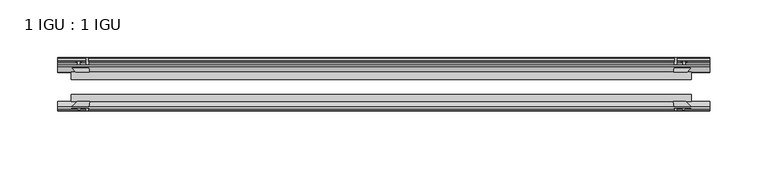
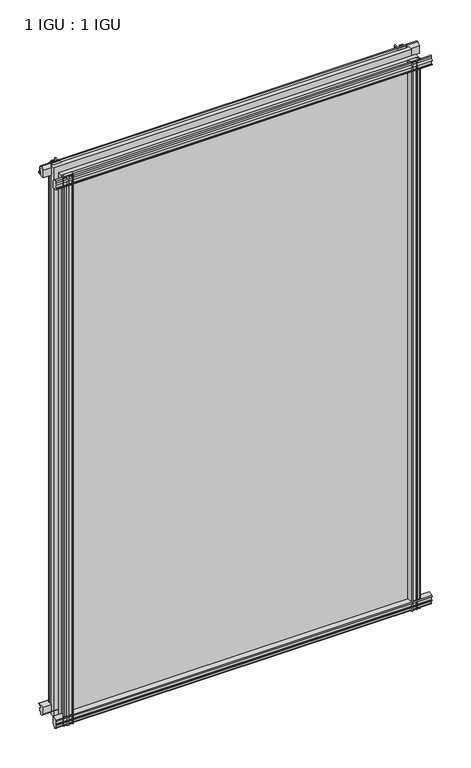
"""IFC4 building model written with IfcOpenShell, lengths in millimetres: plate geometry, 1 IGU : 1 IGU."""

from ifc_helpers import new_model, si_unit, point, frame, frame_2d, origin, place, context, project, spatial, polyline, circle_curve, trimmed, segment, composite_curve, outline, extrude, source, transform, mapped, element, save


def plate_1_igu_1_igu_5145be7c(model_context):
    return source(origin(), model_context, "Body", "SweptSolid", [
        extrude(outline(composite_curve([segment(polyline([(-57.0900403, 1.731044), (-50.00625, 3.0983599), (-50.00625, -7.92383), (-54.1882244, -12.1058044)]), True, "CONTINUOUS"), segment(trimmed(circle_curve(frame_2d((-55.08625, -11.2077788)), 1.27), [point((-54.1882244, -12.1058044))], [point((-56.35625, -11.2077788))], False, "CARTESIAN"), True, "CONTINUOUS"), segment(polyline([(-56.35625, -11.2077788), (-56.35625, -8.0327788), (-57.835546, -5.4488186), (-56.35625, -5.1879788), (-56.35625, 0.2222212), (-57.65913, 0.0383748)]), True, "CONTINUOUS"), segment(trimmed(circle_curve(frame_2d((-56.9150839, 0.7302212)), 1.016), [point((-57.65913, 0.0383748))], [point((-57.0900403, 1.731044))], False, "CARTESIAN"), True, "CONTINUOUS")], self_intersect=False)), frame((-280.108025, 0.0, 0.0), z_axis=(1.0, 0.0, 0.0), x_axis=(0.0, 1.0, 0.0)), (0.0, 0.0, 1.0), 564.25465),
        extrude(outline(composite_curve([segment(polyline([(-24.60625, 2.5763839), (-12.8423053, 1.6478499)]), True, "CONTINUOUS"), segment(trimmed(circle_curve(frame_2d((-12.92225, 0.635)), 1.016), [point((-12.8423053, 1.6478499))], [point((-12.1291353, 0.0))], False, "CARTESIAN"), True, "CONTINUOUS"), segment(polyline([(-12.1291353, 0.0), (-18.25625, 0.0), (-18.25625, -4.953), (-15.9568457, -5.5691235), (-16.3325195, -4.1670901), (-15.4738114, -3.937), (-14.82725, -6.35), (-15.4738114, -8.763), (-16.3325195, -8.5329099), (-15.9568457, -7.1308765), (-18.25625, -7.747), (-18.25625, -12.7), (-20.28825, -12.7), (-24.60625, -9.1036931), (-24.60625, 2.5763839)]), True, "CONTINUOUS")], self_intersect=False)), frame((-280.108025, 0.0, 0.0), z_axis=(1.0, 0.0, 0.0), x_axis=(0.0, 1.0, 0.0)), (0.0, 0.0, 1.0), 564.25465),
        extrude(outline(composite_curve([segment(polyline([(-20.28825, 857.1484), (-18.25625, 857.1484), (-18.25625, 852.1954), (-15.9568457, 851.5792765), (-16.3325195, 852.9813099), (-15.4738114, 853.2114), (-14.82725, 850.7984), (-15.4738114, 848.3854), (-16.3325195, 848.6154901), (-15.9568457, 850.0175235), (-18.25625, 849.4014), (-18.25625, 844.4484), (-12.1291353, 844.4484)]), True, "CONTINUOUS"), segment(trimmed(circle_curve(frame_2d((-12.92225, 843.8134)), 1.016), [point((-12.1291353, 844.4484))], [point((-12.8423053, 842.8005501))], False, "CARTESIAN"), True, "CONTINUOUS"), segment(polyline([(-12.8423053, 842.8005501), (-24.60625, 841.8720161), (-24.60625, 853.5520931), (-20.28825, 857.1484)]), True, "CONTINUOUS")], self_intersect=False)), frame((-280.108025, 0.0, 0.0), z_axis=(1.0, 0.0, 0.0), x_axis=(0.0, 1.0, 0.0)), (0.0, 0.0, 1.0), 564.25465),
        extrude(outline(composite_curve([segment(trimmed(circle_curve(frame_2d((-56.9150839, 843.7181788)), 1.016), [point((-57.0900403, 842.717356))], [point((-57.65913, 844.4100252))], False, "CARTESIAN"), True, "CONTINUOUS"), segment(polyline([(-57.65913, 844.4100252), (-56.35625, 844.2261788), (-56.35625, 849.6363788), (-57.835546, 849.8972186), (-56.35625, 852.4811788), (-56.35625, 855.6561788)]), True, "CONTINUOUS"), segment(trimmed(circle_curve(frame_2d((-55.08625, 855.6561788)), 1.27), [point((-56.35625, 855.6561788))], [point((-54.1882244, 856.5542044))], False, "CARTESIAN"), True, "CONTINUOUS"), segment(polyline([(-54.1882244, 856.5542044), (-50.00625, 852.37223), (-50.00625, 841.3500401), (-57.0900403, 842.717356)]), True, "CONTINUOUS")], self_intersect=False)), frame((-280.108025, 0.0, 0.0), z_axis=(1.0, 0.0, 0.0), x_axis=(0.0, 1.0, 0.0)), (0.0, 0.0, 1.0), 564.25465),
        extrude(outline(composite_curve([segment(polyline([(252.9952411, -24.60625), (253.9237751, -12.8423053)]), True, "CONTINUOUS"), segment(trimmed(circle_curve(frame_2d((254.936625, -12.92225)), 1.016), [point((253.9237751, -12.8423053))], [point((255.571625, -12.1291353))], False, "CARTESIAN"), True, "CONTINUOUS"), segment(polyline([(255.571625, -12.1291353), (255.571625, -18.25625), (260.524625, -18.25625), (261.1407485, -15.9568457), (259.7387151, -16.3325195), (259.508625, -15.4738114), (261.921625, -14.82725), (264.334625, -15.4738114), (264.1045349, -16.3325195), (262.7025015, -15.9568457), (263.318625, -18.25625), (268.271625, -18.25625), (268.271625, -20.28825), (264.6753181, -24.60625), (252.9952411, -24.60625)]), True, "CONTINUOUS")], self_intersect=False)), frame((0.0, 0.0, -12.7), z_axis=(0.0, 0.0, 1.0), x_axis=(1.0, 0.0, 0.0)), (0.0, 0.0, 1.0), 869.8484),
        extrude(outline(composite_curve([segment(polyline([(260.7596038, -56.35625), (255.3494038, -56.35625), (255.5332502, -57.65913)]), True, "CONTINUOUS"), segment(trimmed(circle_curve(frame_2d((254.8414038, -56.9150839)), 1.016), [point((255.5332502, -57.65913))], [point((253.840581, -57.0900403))], False, "CARTESIAN"), True, "CONTINUOUS"), segment(polyline([(253.840581, -57.0900403), (252.4732651, -50.00625), (263.495455, -50.00625), (267.6774294, -54.1882244)]), True, "CONTINUOUS"), segment(trimmed(circle_curve(frame_2d((266.7794038, -55.08625)), 1.27), [point((267.6774294, -54.1882244))], [point((266.7794038, -56.35625))], False, "CARTESIAN"), True, "CONTINUOUS"), segment(polyline([(266.7794038, -56.35625), (263.6044038, -56.35625), (261.0204436, -57.835546), (260.7596038, -56.35625)]), True, "CONTINUOUS")], self_intersect=False)), frame((0.0, 0.0, -12.7), z_axis=(0.0, 0.0, 1.0), x_axis=(1.0, 0.0, 0.0)), (0.0, 0.0, 1.0), 869.8484),
        extrude(outline(composite_curve([segment(polyline([(-252.9952411, -24.60625), (-264.6753181, -24.60625), (-268.271625, -20.28825), (-268.271625, -18.25625), (-263.318625, -18.25625), (-262.7025015, -15.9568457), (-264.1045349, -16.3325195), (-264.334625, -15.4738114), (-261.921625, -14.82725), (-259.508625, -15.4738114), (-259.7387151, -16.3325195), (-261.1407485, -15.9568457), (-260.524625, -18.25625), (-255.571625, -18.25625), (-255.571625, -12.1291353)]), True, "CONTINUOUS"), segment(trimmed(circle_curve(frame_2d((-254.936625, -12.92225)), 1.016), [point((-255.571625, -12.1291353))], [point((-253.9237751, -12.8423053))], False, "CARTESIAN"), True, "CONTINUOUS"), segment(polyline([(-253.9237751, -12.8423053), (-252.9952411, -24.60625)]), True, "CONTINUOUS")], self_intersect=False)), frame((0.0, 0.0, -12.7), z_axis=(0.0, 0.0, 1.0), x_axis=(1.0, 0.0, 0.0)), (0.0, 0.0, 1.0), 869.8484),
        extrude(outline(composite_curve([segment(polyline([(-252.4732651, -50.00625), (-253.840581, -57.0900403)]), True, "CONTINUOUS"), segment(trimmed(circle_curve(frame_2d((-254.8414038, -56.9150839)), 1.016), [point((-253.840581, -57.0900403))], [point((-255.5332502, -57.65913))], False, "CARTESIAN"), True, "CONTINUOUS"), segment(polyline([(-255.5332502, -57.65913), (-255.3494038, -56.35625), (-260.7596038, -56.35625), (-261.0204436, -57.835546), (-263.6044038, -56.35625), (-266.7794038, -56.35625)]), True, "CONTINUOUS"), segment(trimmed(circle_curve(frame_2d((-266.7794038, -55.08625)), 1.27), [point((-266.7794038, -56.35625))], [point((-267.6774294, -54.1882244))], False, "CARTESIAN"), True, "CONTINUOUS"), segment(polyline([(-267.6774294, -54.1882244), (-263.495455, -50.00625), (-252.4732651, -50.00625)]), True, "CONTINUOUS")], self_intersect=False)), frame((0.0, 0.0, -12.7), z_axis=(0.0, 0.0, 1.0), x_axis=(1.0, 0.0, 0.0)), (0.0, 0.0, 1.0), 869.8484),
        extrude(outline(polyline([(-268.271625, -24.60625), (268.271625, -24.60625), (268.271625, -30.95625), (-268.271625, -30.95625), (-268.271625, -24.60625)])), frame((0.0, 0.0, -12.7), z_axis=(0.0, 0.0, 1.0), x_axis=(1.0, 0.0, 0.0)), (0.0, 0.0, 1.0), 869.8484),
        extrude(outline(polyline([(268.271625, -43.65625), (268.271625, -50.00625), (-268.271625, -50.00625), (-268.271625, -43.65625), (268.271625, -43.65625)])), frame((0.0, 0.0, -12.7), z_axis=(0.0, 0.0, 1.0), x_axis=(1.0, 0.0, 0.0)), (0.0, 0.0, 1.0), 869.8484),
    ])


if __name__ == "__main__":
    model = new_model("IFC4")
    model_context = context("Model", 3, world=origin())
    ifc_project = project(units=[si_unit("LENGTHUNIT", "METRE", prefix="MILLI")], contexts=[model_context])
    site = spatial("IfcSite", under=ifc_project)
    building = spatial("IfcBuilding", under=site)
    placement = place(None, origin())
    plate_1_igu_1_igu_shape = plate_1_igu_1_igu_5145be7c(model_context)
    element("IfcPlate", 1, ObjectType="1 IGU : 1 IGU", at=placement, inside=building, context=model_context, shape_type="MappedRepresentation", body=[
        mapped(plate_1_igu_1_igu_shape, transform((0.0, 0.0, 0.0), x_axis=(1.0, 0.0, 0.0), y_axis=(0.0, 1.0, 0.0), z_axis=(0.0, 0.0, 1.0))),
    ])
    save(model, "model.ifc")
